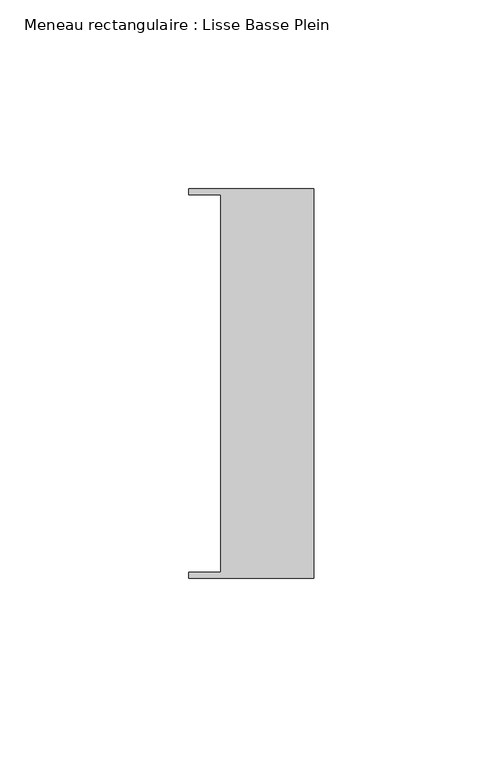
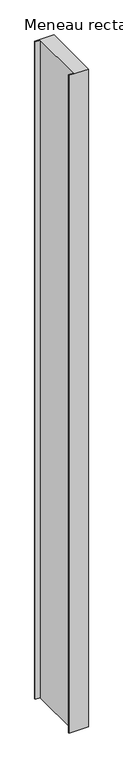
"""IFC4 building model written with IfcOpenShell, lengths in millimetres: member geometry, Meneau rectangulaire : Lisse Basse Plein."""

import ifcopenshell
import ifcopenshell.guid

model = None  # the IFC model being written
_history = None  # IfcOwnerHistory: only IFC2X3 demands one
_inside = {}  # id of a spatial element -> (the spatial element, [elements in it])
_under = {}  # id of a project, library or spatial element -> (it, [spatial elements below it])
_declared = {}  # id of a project -> (the project, [libraries it declares])
_typed = {}  # id of a type object -> (the type object, [elements of that type])
_made_of = {}  # id of a material, layer set ... -> (it, [elements and type objects made of it])


def new_model(schema):
    """Start an empty IFC model of exactly this schema.

    Asked for "IFC4X3", IfcOpenShell would pick the latest addendum, in which some entities
    have other attributes; the version numbers below select the first issue.
    IFC2X3 requires an IfcOwnerHistory on every rooted entity: one is made here for all.
    """
    global model, _history
    if schema == "IFC4X3":
        model = ifcopenshell.file(schema_version=(4, 3, 0, 0))
    else:
        model = ifcopenshell.file(schema=schema)
    _inside.clear()
    _under.clear()
    _declared.clear()
    _typed.clear()
    _made_of.clear()
    _history = None
    if model.schema == "IFC2X3":
        org = make("IfcOrganization", Name="unknown")
        user = make(
            "IfcPersonAndOrganization",
            ThePerson=make("IfcPerson", FamilyName="unknown"),
            TheOrganization=org,
        )
        app = make(
            "IfcApplication",
            ApplicationDeveloper=org,
            Version="unknown",
            ApplicationFullName="unknown",
            ApplicationIdentifier="unknown",
        )
        _history = make(
            "IfcOwnerHistory",
            OwningUser=user,
            OwningApplication=app,
            ChangeAction="ADDED",
            CreationDate=0,
        )
    return model


def make(cls, **values):
    """One entity of the class cls with the attributes given. An attribute that is None is left unset."""
    return model.create_entity(
        cls, **{name: value for name, value in values.items() if value is not None}
    )


def rooted(cls, **values):
    """An entity with a GlobalId (a new one), such as an element, a storey or a relation."""
    return make(cls, GlobalId=ifcopenshell.guid.new(), OwnerHistory=_history, **values)


def si_unit(unit_type, name, prefix=None):
    """IfcSIUnit, for example si_unit("LENGTHUNIT", "METRE", prefix="MILLI")."""
    return make("IfcSIUnit", UnitType=unit_type, Prefix=prefix, Name=name)


def assignment(units):
    """IfcUnitAssignment: the units of a project."""
    return None if units is None else make("IfcUnitAssignment", Units=units)


def point(xyz):
    """IfcCartesianPoint."""
    return None if xyz is None else make("IfcCartesianPoint", Coordinates=xyz)


def direction(xyz):
    """IfcDirection."""
    return None if xyz is None else make("IfcDirection", DirectionRatios=xyz)


def frame(location, z_axis=None, x_axis=None):
    """IfcAxis2Placement3D, a coordinate frame: its origin and axes. An axis left out is left unset."""
    return make(
        "IfcAxis2Placement3D",
        Location=point(location),
        Axis=direction(z_axis),
        RefDirection=direction(x_axis),
    )


def origin():
    """The frame at (0, 0, 0) with its axes left unset."""
    return frame((0.0, 0.0, 0.0))


def place(relative_to, where):
    """IfcLocalPlacement: puts the frame where relative to a parent placement (None: the world)."""
    return make(
        "IfcLocalPlacement", PlacementRelTo=relative_to, RelativePlacement=where
    )


def context(
    kind, dimensions, precision=None, world=None, true_north=None, identifier=None
):
    """IfcGeometricRepresentationContext, for example the 3D "Model" context."""
    return make(
        "IfcGeometricRepresentationContext",
        ContextIdentifier=identifier,
        ContextType=kind,
        CoordinateSpaceDimension=dimensions,
        Precision=precision,
        WorldCoordinateSystem=world,
        TrueNorth=true_north,
    )


def project(units=None, contexts=None):
    """IfcProject with its units and contexts."""
    return rooted(
        "IfcProject",
        Name="project",
        RepresentationContexts=contexts,
        UnitsInContext=assignment(units),
    )


def spatial(cls, under=None, at=None, **own):
    """A site, building, storey or space (cls), placed at a placement, below another one or the project."""
    s = rooted(cls, ObjectPlacement=at, **own)
    if under is not None:
        _under.setdefault(under.id(), (under, []))[1].append(s)
    return s


def polyline(points):
    """IfcPolyline through the points."""
    return make("IfcPolyline", Points=[point(p) for p in points])


def outline(outer, holes=None, kind="AREA"):
    """IfcArbitraryClosedProfileDef: a profile drawn as a closed curve; with holes, ...WithVoids."""
    if holes is None:
        return make("IfcArbitraryClosedProfileDef", ProfileType=kind, OuterCurve=outer)
    return make(
        "IfcArbitraryProfileDefWithVoids",
        ProfileType=kind,
        OuterCurve=outer,
        InnerCurves=holes,
    )


def extrude(swept, where, along, depth):
    """IfcExtrudedAreaSolid: the profile swept, set in the frame where, extruded along a direction by depth."""
    return make(
        "IfcExtrudedAreaSolid",
        SweptArea=swept,
        Position=where,
        ExtrudedDirection=direction(along),
        Depth=depth,
    )


def shape(context_of_items, identifier, shape_type, items):
    """IfcShapeRepresentation: the items that make up one representation, for example the "Body"."""
    return make(
        "IfcShapeRepresentation",
        ContextOfItems=context_of_items,
        RepresentationIdentifier=identifier,
        RepresentationType=shape_type,
        Items=items,
    )


def source(mapping_origin, context_of_items, identifier, shape_type, items):
    """IfcRepresentationMap: a shape defined once, which mapped items show again and again."""
    return make(
        "IfcRepresentationMap",
        MappingOrigin=mapping_origin,
        MappedRepresentation=shape(context_of_items, identifier, shape_type, items),
    )


def transform(
    local_origin,
    x_axis=None,
    y_axis=None,
    z_axis=None,
    scale=None,
    scale2=None,
    scale3=None,
    uniform=True,
):
    """IfcCartesianTransformationOperator3D, or its non-uniform kind. x_axis, y_axis, z_axis: its Axis1, 2, 3."""
    if uniform:
        return make(
            "IfcCartesianTransformationOperator3D",
            Axis1=direction(x_axis),
            Axis2=direction(y_axis),
            LocalOrigin=point(local_origin),
            Scale=scale,
            Axis3=direction(z_axis),
        )
    return make(
        "IfcCartesianTransformationOperator3DnonUniform",
        Axis1=direction(x_axis),
        Axis2=direction(y_axis),
        LocalOrigin=point(local_origin),
        Scale=scale,
        Axis3=direction(z_axis),
        Scale2=scale2,
        Scale3=scale3,
    )


def mapped(mapping_source, mapping_target):
    """IfcMappedItem: shows the shape of a source again, moved by a transform."""
    return make(
        "IfcMappedItem", MappingSource=mapping_source, MappingTarget=mapping_target
    )


def made_of(thing, what):
    """Note that an element or type object is made of a material, layer set ...; save() writes the relation."""
    if what is not None:
        _made_of.setdefault(what.id(), (what, []))[1].append(thing)
    return thing


def element(
    cls,
    number,
    at=None,
    inside=None,
    cuts=None,
    type_object=None,
    material=None,
    context=None,
    identifier="Body",
    shape_type=None,
    held_by="IfcProductDefinitionShape",
    body=None,
    shapes=None,
    **own,
):
    """One element of the class cls, such as IfcWall. Its Tag is "e" and its number.

    at: its placement. inside: the storey or other place that contains it. cuts: it is an
    opening in that element (IfcRelVoidsElement). A single representation is given by context,
    identifier, shape_type and body (its items); several are given by shapes. held_by: the class
    of the entity that holds the representations. save() writes the other relations.
    """
    e = rooted(cls, Tag="e%d" % number, ObjectPlacement=at, **own)
    if body is not None:
        shapes = [shape(context, identifier, shape_type, body)]
    if shapes is not None:
        e.Representation = make(held_by, Representations=shapes)
    if inside is not None:
        _inside.setdefault(inside.id(), (inside, []))[1].append(e)
    if cuts is not None:
        rooted(
            "IfcRelVoidsElement", RelatingBuildingElement=cuts, RelatedOpeningElement=e
        )
    if type_object is not None:
        _typed.setdefault(type_object.id(), (type_object, []))[1].append(e)
    return made_of(e, material)


def aggregate(whole, parts):
    """IfcRelAggregates: a whole, such as a stair, and the parts it consists of."""
    return rooted("IfcRelAggregates", RelatingObject=whole, RelatedObjects=parts)


def save(model, path):
    """Write the relations noted so far, then the file.

    IfcRelAggregates (storeys below a building ...), IfcRelContainedInSpatialStructure (elements
    in a storey), IfcRelDefinesByType, IfcRelAssociatesMaterial and IfcRelDeclares: one each for
    every whole, place, type object, material and project.
    """
    for whole, parts in _under.values():
        aggregate(whole, parts)
    for where, things in _inside.values():
        rooted(
            "IfcRelContainedInSpatialStructure",
            RelatedElements=things,
            RelatingStructure=where,
        )
    for kind, things in _typed.values():
        rooted("IfcRelDefinesByType", RelatedObjects=things, RelatingType=kind)
    for what, things in _made_of.values():
        rooted("IfcRelAssociatesMaterial", RelatedObjects=things, RelatingMaterial=what)
    for by, libraries in _declared.values():
        rooted("IfcRelDeclares", RelatingContext=by, RelatedDefinitions=libraries)
    model.write(path)


def meneau_rectangulaire_lisse_basse_plein_0199543d(model_context):
    return source(origin(), model_context, "Body", "SweptSolid", [
        extrude(outline(polyline([(0.0, -51.5026203), (-33.0710396, -51.5026203), (-33.0710396, -49.9505686), (-24.7130865, -49.9505686), (-24.7130865, 49.9505686), (-33.0710396, 49.9505686), (-33.0710396, 51.5026203), (0.0, 51.5026203), (0.0, -51.5026203)])), frame((0.0, 0.0, -1200.0), z_axis=(0.0, 0.0, 1.0), x_axis=(1.0, 0.0, 0.0)), (0.0, 0.0, 1.0), 1200.0),
    ])


if __name__ == "__main__":
    model = new_model("IFC4")
    model_context = context("Model", 3, world=origin())
    ifc_project = project(units=[si_unit("LENGTHUNIT", "METRE", prefix="MILLI")], contexts=[model_context])
    site = spatial("IfcSite", under=ifc_project)
    building = spatial("IfcBuilding", under=site)
    placement = place(None, origin())
    meneau_rectangulaire_lisse_basse_plein_shape = meneau_rectangulaire_lisse_basse_plein_0199543d(model_context)
    element("IfcMember", 1, ObjectType="Meneau rectangulaire : Lisse Basse Plein", at=placement, inside=building, context=model_context, shape_type="MappedRepresentation", body=[
        mapped(meneau_rectangulaire_lisse_basse_plein_shape, transform((0.0, 0.0, 0.0), x_axis=(1.0, 0.0, 0.0), y_axis=(0.0, 1.0, 0.0), z_axis=(0.0, 0.0, 1.0))),
    ])
    save(model, "model.ifc")
